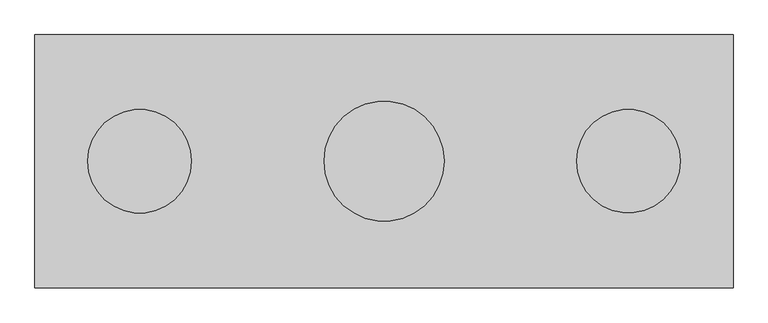
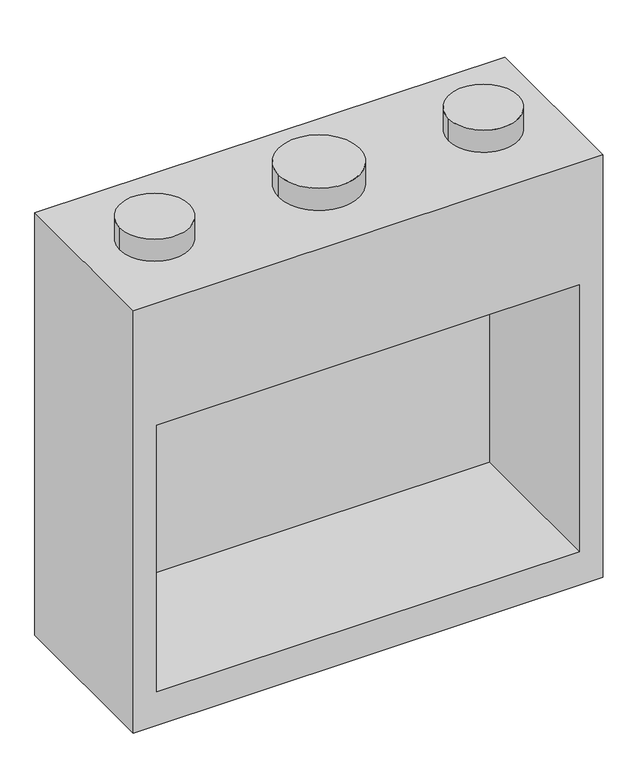
"""IFC4 building model written with IfcOpenShell, lengths in millimetres: proxy geometry."""

import ifcopenshell
import ifcopenshell.guid

model = None  # the IFC model being written
_history = None  # IfcOwnerHistory: only IFC2X3 demands one
_inside = {}  # id of a spatial element -> (the spatial element, [elements in it])
_under = {}  # id of a project, library or spatial element -> (it, [spatial elements below it])
_declared = {}  # id of a project -> (the project, [libraries it declares])
_typed = {}  # id of a type object -> (the type object, [elements of that type])
_made_of = {}  # id of a material, layer set ... -> (it, [elements and type objects made of it])


def new_model(schema):
    """Start an empty IFC model of exactly this schema.

    Asked for "IFC4X3", IfcOpenShell would pick the latest addendum, in which some entities
    have other attributes; the version numbers below select the first issue.
    IFC2X3 requires an IfcOwnerHistory on every rooted entity: one is made here for all.
    """
    global model, _history
    if schema == "IFC4X3":
        model = ifcopenshell.file(schema_version=(4, 3, 0, 0))
    else:
        model = ifcopenshell.file(schema=schema)
    _inside.clear()
    _under.clear()
    _declared.clear()
    _typed.clear()
    _made_of.clear()
    _history = None
    if model.schema == "IFC2X3":
        org = make("IfcOrganization", Name="unknown")
        user = make(
            "IfcPersonAndOrganization",
            ThePerson=make("IfcPerson", FamilyName="unknown"),
            TheOrganization=org,
        )
        app = make(
            "IfcApplication",
            ApplicationDeveloper=org,
            Version="unknown",
            ApplicationFullName="unknown",
            ApplicationIdentifier="unknown",
        )
        _history = make(
            "IfcOwnerHistory",
            OwningUser=user,
            OwningApplication=app,
            ChangeAction="ADDED",
            CreationDate=0,
        )
    return model


def make(cls, **values):
    """One entity of the class cls with the attributes given. An attribute that is None is left unset."""
    return model.create_entity(
        cls, **{name: value for name, value in values.items() if value is not None}
    )


def rooted(cls, **values):
    """An entity with a GlobalId (a new one), such as an element, a storey or a relation."""
    return make(cls, GlobalId=ifcopenshell.guid.new(), OwnerHistory=_history, **values)


def si_unit(unit_type, name, prefix=None):
    """IfcSIUnit, for example si_unit("LENGTHUNIT", "METRE", prefix="MILLI")."""
    return make("IfcSIUnit", UnitType=unit_type, Prefix=prefix, Name=name)


def assignment(units):
    """IfcUnitAssignment: the units of a project."""
    return None if units is None else make("IfcUnitAssignment", Units=units)


def point(xyz):
    """IfcCartesianPoint."""
    return None if xyz is None else make("IfcCartesianPoint", Coordinates=xyz)


def direction(xyz):
    """IfcDirection."""
    return None if xyz is None else make("IfcDirection", DirectionRatios=xyz)


def frame(location, z_axis=None, x_axis=None):
    """IfcAxis2Placement3D, a coordinate frame: its origin and axes. An axis left out is left unset."""
    return make(
        "IfcAxis2Placement3D",
        Location=point(location),
        Axis=direction(z_axis),
        RefDirection=direction(x_axis),
    )


def frame_2d(location, x_axis=None):
    """IfcAxis2Placement2D, a coordinate frame in the plane: its origin and x axis."""
    return make(
        "IfcAxis2Placement2D", Location=point(location), RefDirection=direction(x_axis)
    )


def origin():
    """The frame at (0, 0, 0) with its axes left unset."""
    return frame((0.0, 0.0, 0.0))


def origin_2d():
    """The frame at (0, 0) in the plane with its x axis left unset."""
    return frame_2d((0.0, 0.0))


def place(relative_to, where):
    """IfcLocalPlacement: puts the frame where relative to a parent placement (None: the world)."""
    return make(
        "IfcLocalPlacement", PlacementRelTo=relative_to, RelativePlacement=where
    )


def context(
    kind, dimensions, precision=None, world=None, true_north=None, identifier=None
):
    """IfcGeometricRepresentationContext, for example the 3D "Model" context."""
    return make(
        "IfcGeometricRepresentationContext",
        ContextIdentifier=identifier,
        ContextType=kind,
        CoordinateSpaceDimension=dimensions,
        Precision=precision,
        WorldCoordinateSystem=world,
        TrueNorth=true_north,
    )


def project(units=None, contexts=None):
    """IfcProject with its units and contexts."""
    return rooted(
        "IfcProject",
        Name="project",
        RepresentationContexts=contexts,
        UnitsInContext=assignment(units),
    )


def spatial(cls, under=None, at=None, **own):
    """A site, building, storey or space (cls), placed at a placement, below another one or the project."""
    s = rooted(cls, ObjectPlacement=at, **own)
    if under is not None:
        _under.setdefault(under.id(), (under, []))[1].append(s)
    return s


def circle_curve(where, radius):
    """IfcCircle in the frame where."""
    return make("IfcCircle", Position=where, Radius=radius)


def trimmed(basis, trim1, trim2, sense, master):
    """IfcTrimmedCurve: the piece of a basis curve between two trims."""
    return make(
        "IfcTrimmedCurve",
        BasisCurve=basis,
        Trim1=trim1,
        Trim2=trim2,
        SenseAgreement=sense,
        MasterRepresentation=master,
    )


def segment(curve, same_sense, transition):
    """IfcCompositeCurveSegment."""
    return make(
        "IfcCompositeCurveSegment",
        Transition=transition,
        SameSense=same_sense,
        ParentCurve=curve,
    )


def composite_curve(segments, self_intersect=None):
    """IfcCompositeCurve: segments joined end to end."""
    return make("IfcCompositeCurve", Segments=segments, SelfIntersect=self_intersect)


def outline(outer, holes=None, kind="AREA"):
    """IfcArbitraryClosedProfileDef: a profile drawn as a closed curve; with holes, ...WithVoids."""
    if holes is None:
        return make("IfcArbitraryClosedProfileDef", ProfileType=kind, OuterCurve=outer)
    return make(
        "IfcArbitraryProfileDefWithVoids",
        ProfileType=kind,
        OuterCurve=outer,
        InnerCurves=holes,
    )


def extrude(swept, where, along, depth):
    """IfcExtrudedAreaSolid: the profile swept, set in the frame where, extruded along a direction by depth."""
    return make(
        "IfcExtrudedAreaSolid",
        SweptArea=swept,
        Position=where,
        ExtrudedDirection=direction(along),
        Depth=depth,
    )


def faces_of(points, faces, orient=None, outer=None):
    """IfcFace entities. A face is a list of loops; a loop is a list of indices into points, from 0.

    orient and outer hold one flag for each loop. By default every Orientation is true, the
    first loop of a face is its IfcFaceOuterBound and the others are IfcFaceBound.
    """
    made = []
    for i, loops in enumerate(faces):
        bounds = []
        for j, loop in enumerate(loops):
            is_outer = j == 0 if outer is None else outer[i][j]
            bounds.append(
                make(
                    "IfcFaceOuterBound" if is_outer else "IfcFaceBound",
                    Bound=make("IfcPolyLoop", Polygon=[points[k] for k in loop]),
                    Orientation=True if orient is None else orient[i][j],
                )
            )
        made.append(make("IfcFace", Bounds=bounds))
    return made


def faceted_brep(points, faces, orient=None, outer=None, voids=None):
    """IfcFacetedBrep: a solid bounded by flat faces; with voids (closed shells), ...WithVoids."""
    shared = [point(p) for p in points]
    hull = make("IfcClosedShell", CfsFaces=faces_of(shared, faces, orient, outer))
    if voids is None:
        return make("IfcFacetedBrep", Outer=hull)
    return make(
        "IfcFacetedBrepWithVoids",
        Outer=hull,
        Voids=[
            make(cls, CfsFaces=faces_of(shared, fs, o, b)) for cls, fs, o, b in voids
        ],
    )


def shape(context_of_items, identifier, shape_type, items):
    """IfcShapeRepresentation: the items that make up one representation, for example the "Body"."""
    return make(
        "IfcShapeRepresentation",
        ContextOfItems=context_of_items,
        RepresentationIdentifier=identifier,
        RepresentationType=shape_type,
        Items=items,
    )


def source(mapping_origin, context_of_items, identifier, shape_type, items):
    """IfcRepresentationMap: a shape defined once, which mapped items show again and again."""
    return make(
        "IfcRepresentationMap",
        MappingOrigin=mapping_origin,
        MappedRepresentation=shape(context_of_items, identifier, shape_type, items),
    )


def transform(
    local_origin,
    x_axis=None,
    y_axis=None,
    z_axis=None,
    scale=None,
    scale2=None,
    scale3=None,
    uniform=True,
):
    """IfcCartesianTransformationOperator3D, or its non-uniform kind. x_axis, y_axis, z_axis: its Axis1, 2, 3."""
    if uniform:
        return make(
            "IfcCartesianTransformationOperator3D",
            Axis1=direction(x_axis),
            Axis2=direction(y_axis),
            LocalOrigin=point(local_origin),
            Scale=scale,
            Axis3=direction(z_axis),
        )
    return make(
        "IfcCartesianTransformationOperator3DnonUniform",
        Axis1=direction(x_axis),
        Axis2=direction(y_axis),
        LocalOrigin=point(local_origin),
        Scale=scale,
        Axis3=direction(z_axis),
        Scale2=scale2,
        Scale3=scale3,
    )


def mapped(mapping_source, mapping_target):
    """IfcMappedItem: shows the shape of a source again, moved by a transform."""
    return make(
        "IfcMappedItem", MappingSource=mapping_source, MappingTarget=mapping_target
    )


def made_of(thing, what):
    """Note that an element or type object is made of a material, layer set ...; save() writes the relation."""
    if what is not None:
        _made_of.setdefault(what.id(), (what, []))[1].append(thing)
    return thing


def element(
    cls,
    number,
    at=None,
    inside=None,
    cuts=None,
    type_object=None,
    material=None,
    context=None,
    identifier="Body",
    shape_type=None,
    held_by="IfcProductDefinitionShape",
    body=None,
    shapes=None,
    **own,
):
    """One element of the class cls, such as IfcWall. Its Tag is "e" and its number.

    at: its placement. inside: the storey or other place that contains it. cuts: it is an
    opening in that element (IfcRelVoidsElement). A single representation is given by context,
    identifier, shape_type and body (its items); several are given by shapes. held_by: the class
    of the entity that holds the representations. save() writes the other relations.
    """
    e = rooted(cls, Tag="e%d" % number, ObjectPlacement=at, **own)
    if body is not None:
        shapes = [shape(context, identifier, shape_type, body)]
    if shapes is not None:
        e.Representation = make(held_by, Representations=shapes)
    if inside is not None:
        _inside.setdefault(inside.id(), (inside, []))[1].append(e)
    if cuts is not None:
        rooted(
            "IfcRelVoidsElement", RelatingBuildingElement=cuts, RelatedOpeningElement=e
        )
    if type_object is not None:
        _typed.setdefault(type_object.id(), (type_object, []))[1].append(e)
    return made_of(e, material)


def aggregate(whole, parts):
    """IfcRelAggregates: a whole, such as a stair, and the parts it consists of."""
    return rooted("IfcRelAggregates", RelatingObject=whole, RelatedObjects=parts)


def save(model, path):
    """Write the relations noted so far, then the file.

    IfcRelAggregates (storeys below a building ...), IfcRelContainedInSpatialStructure (elements
    in a storey), IfcRelDefinesByType, IfcRelAssociatesMaterial and IfcRelDeclares: one each for
    every whole, place, type object, material and project.
    """
    for whole, parts in _under.values():
        aggregate(whole, parts)
    for where, things in _inside.values():
        rooted(
            "IfcRelContainedInSpatialStructure",
            RelatedElements=things,
            RelatingStructure=where,
        )
    for kind, things in _typed.values():
        rooted("IfcRelDefinesByType", RelatedObjects=things, RelatingType=kind)
    for what, things in _made_of.values():
        rooted("IfcRelAssociatesMaterial", RelatedObjects=things, RelatingMaterial=what)
    for by, libraries in _declared.values():
        rooted("IfcRelDeclares", RelatingContext=by, RelatedDefinitions=libraries)
    model.write(path)


def generic_models_3d589b19(model_context):
    return source(origin(), model_context, "Body", "SolidModel", [
        faceted_brep([(1016.0, 368.3, 1930.4), (-1016.0, 368.3, 1930.4), (-1016.0, -368.3, 1930.4), (1016.0, -368.3, 1930.4), (1016.0, 368.3, 0.0), (1016.0, -368.3, 0.0), (-1016.0, -368.3, 0.0), (-1016.0, 368.3, 0.0), (-914.4, -368.3, 1371.6), (914.4, -368.3, 1371.6), (914.4, -368.3, 152.4), (-914.4, -368.3, 152.4), (914.4, 307.149358, 1371.6), (-914.4, 307.149358, 1371.6), (-914.4, 307.149358, 152.4), (914.4, 307.149358, 152.4)], [[[0, 1, 2, 3]], [[4, 5, 6, 7]], [[1, 0, 4, 7]], [[2, 1, 7, 6]], [[3, 2, 6, 5], [8, 9, 10, 11]], [[0, 3, 5, 4]], [[12, 13, 14, 15]], [[13, 12, 9, 8]], [[14, 13, 8, 11]], [[15, 14, 11, 10]], [[12, 15, 10, 9]]]),
        extrude(outline(composite_curve([segment(trimmed(circle_curve(origin_2d(), 174.625), [point((-174.625, 0.0))], [point((174.625, 0.0))], False, "CARTESIAN"), True, "CONTINUOUS"), segment(trimmed(circle_curve(origin_2d(), 174.625), [point((174.625, 0.0))], [point((-174.625, 0.0))], False, "CARTESIAN"), True, "CONTINUOUS")], self_intersect=False)), frame((0.0, 0.0, 1930.4), z_axis=(0.0, 0.0, 1.0), x_axis=(1.0, 0.0, 0.0)), (0.0, 0.0, 1.0), 101.6),
        extrude(outline(composite_curve([segment(trimmed(circle_curve(frame_2d((-711.2, -0.0635)), 150.876), [point((-862.076, -0.0635))], [point((-560.324, -0.0635))], False, "CARTESIAN"), True, "CONTINUOUS"), segment(trimmed(circle_curve(frame_2d((-711.2, -0.0635)), 150.876), [point((-560.324, -0.0635))], [point((-862.076, -0.0635))], False, "CARTESIAN"), True, "CONTINUOUS")], self_intersect=False)), frame((0.0, 0.0, 1930.4), z_axis=(0.0, 0.0, 1.0), x_axis=(1.0, 0.0, 0.0)), (0.0, 0.0, 1.0), 101.6),
        extrude(outline(composite_curve([segment(trimmed(circle_curve(frame_2d((711.2, 0.0)), 150.8125), [point((560.3875, 0.0))], [point((862.0125, 0.0))], False, "CARTESIAN"), True, "CONTINUOUS"), segment(trimmed(circle_curve(frame_2d((711.2, 0.0)), 150.8125), [point((862.0125, 0.0))], [point((560.3875, 0.0))], False, "CARTESIAN"), True, "CONTINUOUS")], self_intersect=False)), frame((0.0, 0.0, 1930.4), z_axis=(0.0, 0.0, 1.0), x_axis=(1.0, 0.0, 0.0)), (0.0, 0.0, 1.0), 101.6),
    ])


if __name__ == "__main__":
    model = new_model("IFC4")
    model_context = context("Model", 3, world=origin())
    ifc_project = project(units=[si_unit("LENGTHUNIT", "METRE", prefix="MILLI")], contexts=[model_context])
    site = spatial("IfcSite", under=ifc_project)
    building = spatial("IfcBuilding", under=site)
    placement = place(None, origin())
    generic_models_shape = generic_models_3d589b19(model_context)
    element("IfcBuildingElementProxy", 1, Name="Generic Models", at=placement, inside=building, context=model_context, shape_type="MappedRepresentation", body=[
        mapped(generic_models_shape, transform((0.0, 0.0, 0.0), x_axis=(1.0, 0.0, 0.0), y_axis=(0.0, 1.0, 0.0), z_axis=(0.0, 0.0, 1.0))),
    ])
    save(model, "model.ifc")
